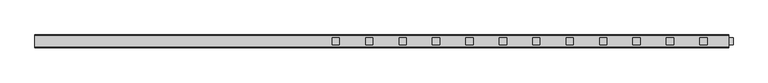
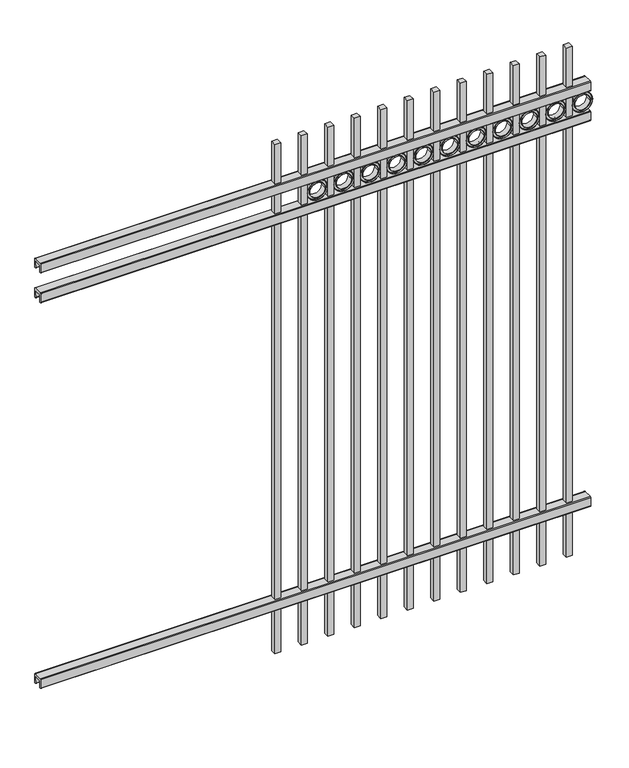
"""IFC4 building model written with IfcOpenShell, lengths in millimetres: railing geometry."""

from ifc_helpers import new_model, si_unit, point, frame, frame_2d, origin, place, context, project, spatial, polyline, circle_curve, trimmed, segment, composite_curve, outline, extrude, source, transform, mapped, element, save


def railing_138dd6bd(model_context):
    return source(origin(), model_context, "Body", "SweptSolid", [
        extrude(outline(composite_curve([segment(polyline([(7301.9139761, 304.8), (7339.969541, 304.8)]), True, "CONTINUOUS"), segment(trimmed(circle_curve(frame_2d((7339.969541, 301.625)), 3.175), [point((7339.969541, 304.8))], [point((7343.144541, 301.625))], False, "CARTESIAN"), True, "CONTINUOUS"), segment(polyline([(7343.144541, 301.625), (7343.144541, 262.1439893)]), True, "CONTINUOUS"), segment(trimmed(circle_curve(frame_2d((7341.3505518, 262.1439893)), 1.7939893), [point((7343.144541, 262.1439893))], [point((7341.3505518, 260.35))], False, "CARTESIAN"), True, "CONTINUOUS"), segment(polyline([(7341.3505518, 260.35), (7338.7590713, 260.35)]), True, "CONTINUOUS"), segment(trimmed(circle_curve(frame_2d((7338.7590713, 262.1359375)), 1.7859375), [point((7338.7590713, 260.35))], [point((7336.9755813, 262.0424688))], False, "CARTESIAN"), True, "CONTINUOUS"), segment(polyline([(7336.9755813, 262.0424688), (7335.4025867, 292.0569942), (7306.4364954, 292.0569942), (7304.8635007, 262.0424688)]), True, "CONTINUOUS"), segment(trimmed(circle_curve(frame_2d((7303.0800108, 262.1359375)), 1.7859375), [point((7304.8635007, 262.0424688))], [point((7303.0800108, 260.35))], False, "CARTESIAN"), True, "CONTINUOUS"), segment(polyline([(7303.0800108, 260.35), (7300.4804785, 260.35)]), True, "CONTINUOUS"), segment(trimmed(circle_curve(frame_2d((7300.4804785, 262.1359375)), 1.7859375), [point((7300.4804785, 260.35))], [point((7298.694541, 262.1359375))], False, "CARTESIAN"), True, "CONTINUOUS"), segment(polyline([(7298.694541, 262.1359375), (7298.694541, 301.5805649)]), True, "CONTINUOUS"), segment(trimmed(circle_curve(frame_2d((7301.9139761, 301.5805649)), 3.2194351), [point((7298.694541, 301.5805649))], [point((7301.9139761, 304.8))], False, "CARTESIAN"), True, "CONTINUOUS")], self_intersect=False)), frame((11485.3350064, 0.0, 0.0), z_axis=(1.0, 0.0, 0.0), x_axis=(0.0, 1.0, 0.0)), (0.0, 0.0, 1.0), 2438.4),
        extrude(outline(composite_curve([segment(polyline([(7301.9139761, 2112.9625), (7339.969541, 2112.9625)]), True, "CONTINUOUS"), segment(trimmed(circle_curve(frame_2d((7339.969541, 2109.7875)), 3.175), [point((7339.969541, 2112.9625))], [point((7343.144541, 2109.7875))], False, "CARTESIAN"), True, "CONTINUOUS"), segment(polyline([(7343.144541, 2109.7875), (7343.144541, 2070.3064893)]), True, "CONTINUOUS"), segment(trimmed(circle_curve(frame_2d((7341.3505518, 2070.3064893)), 1.7939893), [point((7343.144541, 2070.3064893))], [point((7341.3505518, 2068.5125))], False, "CARTESIAN"), True, "CONTINUOUS"), segment(polyline([(7341.3505518, 2068.5125), (7338.7590713, 2068.5125)]), True, "CONTINUOUS"), segment(trimmed(circle_curve(frame_2d((7338.7590713, 2070.2984375)), 1.7859375), [point((7338.7590713, 2068.5125))], [point((7336.9755813, 2070.2049688))], False, "CARTESIAN"), True, "CONTINUOUS"), segment(polyline([(7336.9755813, 2070.2049688), (7335.4025867, 2100.2194942), (7306.4364954, 2100.2194942), (7304.8635007, 2070.2049688)]), True, "CONTINUOUS"), segment(trimmed(circle_curve(frame_2d((7303.0800108, 2070.2984375)), 1.7859375), [point((7304.8635007, 2070.2049688))], [point((7303.0800108, 2068.5125))], False, "CARTESIAN"), True, "CONTINUOUS"), segment(polyline([(7303.0800108, 2068.5125), (7300.4804785, 2068.5125)]), True, "CONTINUOUS"), segment(trimmed(circle_curve(frame_2d((7300.4804785, 2070.2984375)), 1.7859375), [point((7300.4804785, 2068.5125))], [point((7298.694541, 2070.2984375))], False, "CARTESIAN"), True, "CONTINUOUS"), segment(polyline([(7298.694541, 2070.2984375), (7298.694541, 2109.7430649)]), True, "CONTINUOUS"), segment(trimmed(circle_curve(frame_2d((7301.9139761, 2109.7430649)), 3.2194351), [point((7298.694541, 2109.7430649))], [point((7301.9139761, 2112.9625))], False, "CARTESIAN"), True, "CONTINUOUS")], self_intersect=False)), frame((11485.3350064, 0.0, 0.0), z_axis=(1.0, 0.0, 0.0), x_axis=(0.0, 1.0, 0.0)), (0.0, 0.0, 1.0), 2438.4),
        extrude(outline(composite_curve([segment(polyline([(7301.9139761, 2252.6625), (7339.969541, 2252.6625)]), True, "CONTINUOUS"), segment(trimmed(circle_curve(frame_2d((7339.969541, 2249.4875)), 3.175), [point((7339.969541, 2252.6625))], [point((7343.144541, 2249.4875))], False, "CARTESIAN"), True, "CONTINUOUS"), segment(polyline([(7343.144541, 2249.4875), (7343.144541, 2210.0064893)]), True, "CONTINUOUS"), segment(trimmed(circle_curve(frame_2d((7341.3505518, 2210.0064893)), 1.7939893), [point((7343.144541, 2210.0064893))], [point((7341.3505518, 2208.2125))], False, "CARTESIAN"), True, "CONTINUOUS"), segment(polyline([(7341.3505518, 2208.2125), (7338.7590713, 2208.2125)]), True, "CONTINUOUS"), segment(trimmed(circle_curve(frame_2d((7338.7590713, 2209.9984375)), 1.7859375), [point((7338.7590713, 2208.2125))], [point((7336.9755813, 2209.9049688))], False, "CARTESIAN"), True, "CONTINUOUS"), segment(polyline([(7336.9755813, 2209.9049688), (7335.4025867, 2239.9194942), (7306.4364954, 2239.9194942), (7304.8635007, 2209.9049688)]), True, "CONTINUOUS"), segment(trimmed(circle_curve(frame_2d((7303.0800108, 2209.9984375)), 1.7859375), [point((7304.8635007, 2209.9049688))], [point((7303.0800108, 2208.2125))], False, "CARTESIAN"), True, "CONTINUOUS"), segment(polyline([(7303.0800108, 2208.2125), (7300.4804785, 2208.2125)]), True, "CONTINUOUS"), segment(trimmed(circle_curve(frame_2d((7300.4804785, 2209.9984375)), 1.7859375), [point((7300.4804785, 2208.2125))], [point((7298.694541, 2209.9984375))], False, "CARTESIAN"), True, "CONTINUOUS"), segment(polyline([(7298.694541, 2209.9984375), (7298.694541, 2249.4430649)]), True, "CONTINUOUS"), segment(trimmed(circle_curve(frame_2d((7301.9139761, 2249.4430649)), 3.2194351), [point((7298.694541, 2249.4430649))], [point((7301.9139761, 2252.6625))], False, "CARTESIAN"), True, "CONTINUOUS")], self_intersect=False)), frame((11485.3350064, 0.0, 0.0), z_axis=(1.0, 0.0, 0.0), x_axis=(0.0, 1.0, 0.0)), (0.0, 0.0, 1.0), 2438.4),
        extrude(outline(polyline([(13822.1350064, 7333.619541), (13847.5350064, 7333.619541), (13847.5350064, 7308.219541), (13822.1350064, 7308.219541), (13822.1350064, 7333.619541)])), frame((0.0, 0.0, 50.8), z_axis=(0.0, 0.0, 1.0), x_axis=(1.0, 0.0, 0.0)), (0.0, 0.0, 1.0), 2387.6),
        extrude(outline(composite_curve([segment(trimmed(circle_curve(frame_2d((2159.8040076, 13893.2338655)), 45.6988591), [point((2159.8040076, 13938.9327246))], [point((2159.8040076, 13847.5350064))], False, "CARTESIAN"), True, "CONTINUOUS"), segment(trimmed(circle_curve(frame_2d((2159.8040076, 13893.2338655)), 45.6988591), [point((2159.8040076, 13847.5350064))], [point((2159.8040076, 13938.9327246))], False, "CARTESIAN"), True, "CONTINUOUS")], self_intersect=False), holes=[composite_curve([segment(trimmed(circle_curve(frame_2d((2159.8040076, 13893.2338655)), 44.101539), [point((2159.8040076, 13937.3354045))], [point((2159.8040076, 13849.1323265))], True, "CARTESIAN"), True, "CONTINUOUS"), segment(trimmed(circle_curve(frame_2d((2159.8040076, 13893.2338655)), 44.101539), [point((2159.8040076, 13849.1323265))], [point((2159.8040076, 13937.3354045))], True, "CARTESIAN"), True, "CONTINUOUS")], self_intersect=False)]), frame((0.0, 7308.219541, 0.0), z_axis=(0.0, 1.0, 0.0), x_axis=(0.0, 0.0, 1.0)), (0.0, 0.0, 1.0), 25.4),
        extrude(outline(composite_curve([segment(trimmed(circle_curve(frame_2d((2159.8040076, 13893.2338655)), 34.6370762), [point((2159.8040076, 13927.8709417))], [point((2159.8040076, 13858.5967893))], False, "CARTESIAN"), True, "CONTINUOUS"), segment(trimmed(circle_curve(frame_2d((2159.8040076, 13893.2338655)), 34.6370762), [point((2159.8040076, 13858.5967893))], [point((2159.8040076, 13927.8709417))], False, "CARTESIAN"), True, "CONTINUOUS")], self_intersect=False), holes=[composite_curve([segment(trimmed(circle_curve(frame_2d((2159.8040076, 13893.2338655)), 33.0443887), [point((2159.8040076, 13926.2782542))], [point((2159.8040076, 13860.1894768))], True, "CARTESIAN"), True, "CONTINUOUS"), segment(trimmed(circle_curve(frame_2d((2159.8040076, 13893.2338655)), 33.0443887), [point((2159.8040076, 13860.1894768))], [point((2159.8040076, 13926.2782542))], True, "CARTESIAN"), True, "CONTINUOUS")], self_intersect=False)]), frame((0.0, 7308.219541, 0.0), z_axis=(0.0, 1.0, 0.0), x_axis=(0.0, 0.0, 1.0)), (0.0, 0.0, 1.0), 25.4),
        extrude(outline(composite_curve([segment(trimmed(circle_curve(frame_2d((2159.8040076, 13893.2338655)), 45.6988591), [point((2159.8040076, 13938.9327246))], [point((2159.8040076, 13847.5350064))], False, "CARTESIAN"), True, "CONTINUOUS"), segment(trimmed(circle_curve(frame_2d((2159.8040076, 13893.2338655)), 45.6988591), [point((2159.8040076, 13847.5350064))], [point((2159.8040076, 13938.9327246))], False, "CARTESIAN"), True, "CONTINUOUS")], self_intersect=False), holes=[composite_curve([segment(trimmed(circle_curve(frame_2d((2159.8040076, 13893.2338655)), 33.0443887), [point((2159.8040076, 13926.2782542))], [point((2159.8040076, 13860.1894768))], True, "CARTESIAN"), True, "CONTINUOUS"), segment(trimmed(circle_curve(frame_2d((2159.8040076, 13893.2338655)), 33.0443887), [point((2159.8040076, 13860.1894768))], [point((2159.8040076, 13926.2782542))], True, "CARTESIAN"), True, "CONTINUOUS")], self_intersect=False)]), frame((0.0, 7314.569541, 0.0), z_axis=(0.0, 1.0, 0.0), x_axis=(0.0, 0.0, 1.0)), (0.0, 0.0, 1.0), 12.7),
        extrude(outline(polyline([(13704.6600064, 7333.619541), (13730.0600064, 7333.619541), (13730.0600064, 7308.219541), (13704.6600064, 7308.219541), (13704.6600064, 7333.619541)])), frame((0.0, 0.0, 50.8), z_axis=(0.0, 0.0, 1.0), x_axis=(1.0, 0.0, 0.0)), (0.0, 0.0, 1.0), 2387.6),
        extrude(outline(composite_curve([segment(trimmed(circle_curve(frame_2d((2159.8040076, 13775.7588655)), 45.6988591), [point((2159.8040076, 13821.4577246))], [point((2159.8040076, 13730.0600064))], False, "CARTESIAN"), True, "CONTINUOUS"), segment(trimmed(circle_curve(frame_2d((2159.8040076, 13775.7588655)), 45.6988591), [point((2159.8040076, 13730.0600064))], [point((2159.8040076, 13821.4577246))], False, "CARTESIAN"), True, "CONTINUOUS")], self_intersect=False), holes=[composite_curve([segment(trimmed(circle_curve(frame_2d((2159.8040076, 13775.7588655)), 44.101539), [point((2159.8040076, 13819.8604045))], [point((2159.8040076, 13731.6573265))], True, "CARTESIAN"), True, "CONTINUOUS"), segment(trimmed(circle_curve(frame_2d((2159.8040076, 13775.7588655)), 44.101539), [point((2159.8040076, 13731.6573265))], [point((2159.8040076, 13819.8604045))], True, "CARTESIAN"), True, "CONTINUOUS")], self_intersect=False)]), frame((0.0, 7308.219541, 0.0), z_axis=(0.0, 1.0, 0.0), x_axis=(0.0, 0.0, 1.0)), (0.0, 0.0, 1.0), 25.4),
        extrude(outline(composite_curve([segment(trimmed(circle_curve(frame_2d((2159.8040076, 13775.7588655)), 34.6370762), [point((2159.8040076, 13810.3959417))], [point((2159.8040076, 13741.1217893))], False, "CARTESIAN"), True, "CONTINUOUS"), segment(trimmed(circle_curve(frame_2d((2159.8040076, 13775.7588655)), 34.6370762), [point((2159.8040076, 13741.1217893))], [point((2159.8040076, 13810.3959417))], False, "CARTESIAN"), True, "CONTINUOUS")], self_intersect=False), holes=[composite_curve([segment(trimmed(circle_curve(frame_2d((2159.8040076, 13775.7588655)), 33.0443887), [point((2159.8040076, 13808.8032542))], [point((2159.8040076, 13742.7144768))], True, "CARTESIAN"), True, "CONTINUOUS"), segment(trimmed(circle_curve(frame_2d((2159.8040076, 13775.7588655)), 33.0443887), [point((2159.8040076, 13742.7144768))], [point((2159.8040076, 13808.8032542))], True, "CARTESIAN"), True, "CONTINUOUS")], self_intersect=False)]), frame((0.0, 7308.219541, 0.0), z_axis=(0.0, 1.0, 0.0), x_axis=(0.0, 0.0, 1.0)), (0.0, 0.0, 1.0), 25.4),
        extrude(outline(composite_curve([segment(trimmed(circle_curve(frame_2d((2159.8040076, 13775.7588655)), 45.6988591), [point((2159.8040076, 13821.4577246))], [point((2159.8040076, 13730.0600064))], False, "CARTESIAN"), True, "CONTINUOUS"), segment(trimmed(circle_curve(frame_2d((2159.8040076, 13775.7588655)), 45.6988591), [point((2159.8040076, 13730.0600064))], [point((2159.8040076, 13821.4577246))], False, "CARTESIAN"), True, "CONTINUOUS")], self_intersect=False), holes=[composite_curve([segment(trimmed(circle_curve(frame_2d((2159.8040076, 13775.7588655)), 33.0443887), [point((2159.8040076, 13808.8032542))], [point((2159.8040076, 13742.7144768))], True, "CARTESIAN"), True, "CONTINUOUS"), segment(trimmed(circle_curve(frame_2d((2159.8040076, 13775.7588655)), 33.0443887), [point((2159.8040076, 13742.7144768))], [point((2159.8040076, 13808.8032542))], True, "CARTESIAN"), True, "CONTINUOUS")], self_intersect=False)]), frame((0.0, 7314.569541, 0.0), z_axis=(0.0, 1.0, 0.0), x_axis=(0.0, 0.0, 1.0)), (0.0, 0.0, 1.0), 12.7),
        extrude(outline(polyline([(13587.1850064, 7333.619541), (13612.5850064, 7333.619541), (13612.5850064, 7308.219541), (13587.1850064, 7308.219541), (13587.1850064, 7333.619541)])), frame((0.0, 0.0, 50.8), z_axis=(0.0, 0.0, 1.0), x_axis=(1.0, 0.0, 0.0)), (0.0, 0.0, 1.0), 2387.6),
        extrude(outline(composite_curve([segment(trimmed(circle_curve(frame_2d((2159.8040076, 13658.2838655)), 45.6988591), [point((2159.8040076, 13703.9827246))], [point((2159.8040076, 13612.5850064))], False, "CARTESIAN"), True, "CONTINUOUS"), segment(trimmed(circle_curve(frame_2d((2159.8040076, 13658.2838655)), 45.6988591), [point((2159.8040076, 13612.5850064))], [point((2159.8040076, 13703.9827246))], False, "CARTESIAN"), True, "CONTINUOUS")], self_intersect=False), holes=[composite_curve([segment(trimmed(circle_curve(frame_2d((2159.8040076, 13658.2838655)), 44.101539), [point((2159.8040076, 13702.3854045))], [point((2159.8040076, 13614.1823265))], True, "CARTESIAN"), True, "CONTINUOUS"), segment(trimmed(circle_curve(frame_2d((2159.8040076, 13658.2838655)), 44.101539), [point((2159.8040076, 13614.1823265))], [point((2159.8040076, 13702.3854045))], True, "CARTESIAN"), True, "CONTINUOUS")], self_intersect=False)]), frame((0.0, 7308.219541, 0.0), z_axis=(0.0, 1.0, 0.0), x_axis=(0.0, 0.0, 1.0)), (0.0, 0.0, 1.0), 25.4),
        extrude(outline(composite_curve([segment(trimmed(circle_curve(frame_2d((2159.8040076, 13658.2838655)), 34.6370762), [point((2159.8040076, 13692.9209417))], [point((2159.8040076, 13623.6467893))], False, "CARTESIAN"), True, "CONTINUOUS"), segment(trimmed(circle_curve(frame_2d((2159.8040076, 13658.2838655)), 34.6370762), [point((2159.8040076, 13623.6467893))], [point((2159.8040076, 13692.9209417))], False, "CARTESIAN"), True, "CONTINUOUS")], self_intersect=False), holes=[composite_curve([segment(trimmed(circle_curve(frame_2d((2159.8040076, 13658.2838655)), 33.0443887), [point((2159.8040076, 13691.3282542))], [point((2159.8040076, 13625.2394768))], True, "CARTESIAN"), True, "CONTINUOUS"), segment(trimmed(circle_curve(frame_2d((2159.8040076, 13658.2838655)), 33.0443887), [point((2159.8040076, 13625.2394768))], [point((2159.8040076, 13691.3282542))], True, "CARTESIAN"), True, "CONTINUOUS")], self_intersect=False)]), frame((0.0, 7308.219541, 0.0), z_axis=(0.0, 1.0, 0.0), x_axis=(0.0, 0.0, 1.0)), (0.0, 0.0, 1.0), 25.4),
        extrude(outline(composite_curve([segment(trimmed(circle_curve(frame_2d((2159.8040076, 13658.2838655)), 45.6988591), [point((2159.8040076, 13703.9827246))], [point((2159.8040076, 13612.5850064))], False, "CARTESIAN"), True, "CONTINUOUS"), segment(trimmed(circle_curve(frame_2d((2159.8040076, 13658.2838655)), 45.6988591), [point((2159.8040076, 13612.5850064))], [point((2159.8040076, 13703.9827246))], False, "CARTESIAN"), True, "CONTINUOUS")], self_intersect=False), holes=[composite_curve([segment(trimmed(circle_curve(frame_2d((2159.8040076, 13658.2838655)), 33.0443887), [point((2159.8040076, 13691.3282542))], [point((2159.8040076, 13625.2394768))], True, "CARTESIAN"), True, "CONTINUOUS"), segment(trimmed(circle_curve(frame_2d((2159.8040076, 13658.2838655)), 33.0443887), [point((2159.8040076, 13625.2394768))], [point((2159.8040076, 13691.3282542))], True, "CARTESIAN"), True, "CONTINUOUS")], self_intersect=False)]), frame((0.0, 7314.569541, 0.0), z_axis=(0.0, 1.0, 0.0), x_axis=(0.0, 0.0, 1.0)), (0.0, 0.0, 1.0), 12.7),
        extrude(outline(polyline([(13469.7100064, 7333.619541), (13495.1100064, 7333.619541), (13495.1100064, 7308.219541), (13469.7100064, 7308.219541), (13469.7100064, 7333.619541)])), frame((0.0, 0.0, 50.8), z_axis=(0.0, 0.0, 1.0), x_axis=(1.0, 0.0, 0.0)), (0.0, 0.0, 1.0), 2387.6),
        extrude(outline(composite_curve([segment(trimmed(circle_curve(frame_2d((2159.8040076, 13540.8088655)), 45.6988591), [point((2159.8040076, 13586.5077246))], [point((2159.8040076, 13495.1100064))], False, "CARTESIAN"), True, "CONTINUOUS"), segment(trimmed(circle_curve(frame_2d((2159.8040076, 13540.8088655)), 45.6988591), [point((2159.8040076, 13495.1100064))], [point((2159.8040076, 13586.5077246))], False, "CARTESIAN"), True, "CONTINUOUS")], self_intersect=False), holes=[composite_curve([segment(trimmed(circle_curve(frame_2d((2159.8040076, 13540.8088655)), 44.101539), [point((2159.8040076, 13584.9104045))], [point((2159.8040076, 13496.7073265))], True, "CARTESIAN"), True, "CONTINUOUS"), segment(trimmed(circle_curve(frame_2d((2159.8040076, 13540.8088655)), 44.101539), [point((2159.8040076, 13496.7073265))], [point((2159.8040076, 13584.9104045))], True, "CARTESIAN"), True, "CONTINUOUS")], self_intersect=False)]), frame((0.0, 7308.219541, 0.0), z_axis=(0.0, 1.0, 0.0), x_axis=(0.0, 0.0, 1.0)), (0.0, 0.0, 1.0), 25.4),
        extrude(outline(composite_curve([segment(trimmed(circle_curve(frame_2d((2159.8040076, 13540.8088655)), 34.6370762), [point((2159.8040076, 13575.4459417))], [point((2159.8040076, 13506.1717893))], False, "CARTESIAN"), True, "CONTINUOUS"), segment(trimmed(circle_curve(frame_2d((2159.8040076, 13540.8088655)), 34.6370762), [point((2159.8040076, 13506.1717893))], [point((2159.8040076, 13575.4459417))], False, "CARTESIAN"), True, "CONTINUOUS")], self_intersect=False), holes=[composite_curve([segment(trimmed(circle_curve(frame_2d((2159.8040076, 13540.8088655)), 33.0443887), [point((2159.8040076, 13573.8532542))], [point((2159.8040076, 13507.7644768))], True, "CARTESIAN"), True, "CONTINUOUS"), segment(trimmed(circle_curve(frame_2d((2159.8040076, 13540.8088655)), 33.0443887), [point((2159.8040076, 13507.7644768))], [point((2159.8040076, 13573.8532542))], True, "CARTESIAN"), True, "CONTINUOUS")], self_intersect=False)]), frame((0.0, 7308.219541, 0.0), z_axis=(0.0, 1.0, 0.0), x_axis=(0.0, 0.0, 1.0)), (0.0, 0.0, 1.0), 25.4),
        extrude(outline(composite_curve([segment(trimmed(circle_curve(frame_2d((2159.8040076, 13540.8088655)), 45.6988591), [point((2159.8040076, 13586.5077246))], [point((2159.8040076, 13495.1100064))], False, "CARTESIAN"), True, "CONTINUOUS"), segment(trimmed(circle_curve(frame_2d((2159.8040076, 13540.8088655)), 45.6988591), [point((2159.8040076, 13495.1100064))], [point((2159.8040076, 13586.5077246))], False, "CARTESIAN"), True, "CONTINUOUS")], self_intersect=False), holes=[composite_curve([segment(trimmed(circle_curve(frame_2d((2159.8040076, 13540.8088655)), 33.0443887), [point((2159.8040076, 13573.8532542))], [point((2159.8040076, 13507.7644768))], True, "CARTESIAN"), True, "CONTINUOUS"), segment(trimmed(circle_curve(frame_2d((2159.8040076, 13540.8088655)), 33.0443887), [point((2159.8040076, 13507.7644768))], [point((2159.8040076, 13573.8532542))], True, "CARTESIAN"), True, "CONTINUOUS")], self_intersect=False)]), frame((0.0, 7314.569541, 0.0), z_axis=(0.0, 1.0, 0.0), x_axis=(0.0, 0.0, 1.0)), (0.0, 0.0, 1.0), 12.7),
        extrude(outline(polyline([(13352.2350064, 7333.619541), (13377.6350064, 7333.619541), (13377.6350064, 7308.219541), (13352.2350064, 7308.219541), (13352.2350064, 7333.619541)])), frame((0.0, 0.0, 50.8), z_axis=(0.0, 0.0, 1.0), x_axis=(1.0, 0.0, 0.0)), (0.0, 0.0, 1.0), 2387.6),
        extrude(outline(composite_curve([segment(trimmed(circle_curve(frame_2d((2159.8040076, 13423.3338655)), 45.6988591), [point((2159.8040076, 13469.0327246))], [point((2159.8040076, 13377.6350064))], False, "CARTESIAN"), True, "CONTINUOUS"), segment(trimmed(circle_curve(frame_2d((2159.8040076, 13423.3338655)), 45.6988591), [point((2159.8040076, 13377.6350064))], [point((2159.8040076, 13469.0327246))], False, "CARTESIAN"), True, "CONTINUOUS")], self_intersect=False), holes=[composite_curve([segment(trimmed(circle_curve(frame_2d((2159.8040076, 13423.3338655)), 44.101539), [point((2159.8040076, 13467.4354045))], [point((2159.8040076, 13379.2323265))], True, "CARTESIAN"), True, "CONTINUOUS"), segment(trimmed(circle_curve(frame_2d((2159.8040076, 13423.3338655)), 44.101539), [point((2159.8040076, 13379.2323265))], [point((2159.8040076, 13467.4354045))], True, "CARTESIAN"), True, "CONTINUOUS")], self_intersect=False)]), frame((0.0, 7308.219541, 0.0), z_axis=(0.0, 1.0, 0.0), x_axis=(0.0, 0.0, 1.0)), (0.0, 0.0, 1.0), 25.4),
        extrude(outline(composite_curve([segment(trimmed(circle_curve(frame_2d((2159.8040076, 13423.3338655)), 34.6370762), [point((2159.8040076, 13457.9709417))], [point((2159.8040076, 13388.6967893))], False, "CARTESIAN"), True, "CONTINUOUS"), segment(trimmed(circle_curve(frame_2d((2159.8040076, 13423.3338655)), 34.6370762), [point((2159.8040076, 13388.6967893))], [point((2159.8040076, 13457.9709417))], False, "CARTESIAN"), True, "CONTINUOUS")], self_intersect=False), holes=[composite_curve([segment(trimmed(circle_curve(frame_2d((2159.8040076, 13423.3338655)), 33.0443887), [point((2159.8040076, 13456.3782542))], [point((2159.8040076, 13390.2894768))], True, "CARTESIAN"), True, "CONTINUOUS"), segment(trimmed(circle_curve(frame_2d((2159.8040076, 13423.3338655)), 33.0443887), [point((2159.8040076, 13390.2894768))], [point((2159.8040076, 13456.3782542))], True, "CARTESIAN"), True, "CONTINUOUS")], self_intersect=False)]), frame((0.0, 7308.219541, 0.0), z_axis=(0.0, 1.0, 0.0), x_axis=(0.0, 0.0, 1.0)), (0.0, 0.0, 1.0), 25.4),
        extrude(outline(composite_curve([segment(trimmed(circle_curve(frame_2d((2159.8040076, 13423.3338655)), 45.6988591), [point((2159.8040076, 13469.0327246))], [point((2159.8040076, 13377.6350064))], False, "CARTESIAN"), True, "CONTINUOUS"), segment(trimmed(circle_curve(frame_2d((2159.8040076, 13423.3338655)), 45.6988591), [point((2159.8040076, 13377.6350064))], [point((2159.8040076, 13469.0327246))], False, "CARTESIAN"), True, "CONTINUOUS")], self_intersect=False), holes=[composite_curve([segment(trimmed(circle_curve(frame_2d((2159.8040076, 13423.3338655)), 33.0443887), [point((2159.8040076, 13456.3782542))], [point((2159.8040076, 13390.2894768))], True, "CARTESIAN"), True, "CONTINUOUS"), segment(trimmed(circle_curve(frame_2d((2159.8040076, 13423.3338655)), 33.0443887), [point((2159.8040076, 13390.2894768))], [point((2159.8040076, 13456.3782542))], True, "CARTESIAN"), True, "CONTINUOUS")], self_intersect=False)]), frame((0.0, 7314.569541, 0.0), z_axis=(0.0, 1.0, 0.0), x_axis=(0.0, 0.0, 1.0)), (0.0, 0.0, 1.0), 12.7),
        extrude(outline(polyline([(13234.7600064, 7333.619541), (13260.1600064, 7333.619541), (13260.1600064, 7308.219541), (13234.7600064, 7308.219541), (13234.7600064, 7333.619541)])), frame((0.0, 0.0, 50.8), z_axis=(0.0, 0.0, 1.0), x_axis=(1.0, 0.0, 0.0)), (0.0, 0.0, 1.0), 2387.6),
        extrude(outline(composite_curve([segment(trimmed(circle_curve(frame_2d((2159.8040076, 13305.8588655)), 45.6988591), [point((2159.8040076, 13351.5577246))], [point((2159.8040076, 13260.1600064))], False, "CARTESIAN"), True, "CONTINUOUS"), segment(trimmed(circle_curve(frame_2d((2159.8040076, 13305.8588655)), 45.6988591), [point((2159.8040076, 13260.1600064))], [point((2159.8040076, 13351.5577246))], False, "CARTESIAN"), True, "CONTINUOUS")], self_intersect=False), holes=[composite_curve([segment(trimmed(circle_curve(frame_2d((2159.8040076, 13305.8588655)), 44.101539), [point((2159.8040076, 13349.9604045))], [point((2159.8040076, 13261.7573265))], True, "CARTESIAN"), True, "CONTINUOUS"), segment(trimmed(circle_curve(frame_2d((2159.8040076, 13305.8588655)), 44.101539), [point((2159.8040076, 13261.7573265))], [point((2159.8040076, 13349.9604045))], True, "CARTESIAN"), True, "CONTINUOUS")], self_intersect=False)]), frame((0.0, 7308.219541, 0.0), z_axis=(0.0, 1.0, 0.0), x_axis=(0.0, 0.0, 1.0)), (0.0, 0.0, 1.0), 25.4),
        extrude(outline(composite_curve([segment(trimmed(circle_curve(frame_2d((2159.8040076, 13305.8588655)), 34.6370762), [point((2159.8040076, 13340.4959417))], [point((2159.8040076, 13271.2217893))], False, "CARTESIAN"), True, "CONTINUOUS"), segment(trimmed(circle_curve(frame_2d((2159.8040076, 13305.8588655)), 34.6370762), [point((2159.8040076, 13271.2217893))], [point((2159.8040076, 13340.4959417))], False, "CARTESIAN"), True, "CONTINUOUS")], self_intersect=False), holes=[composite_curve([segment(trimmed(circle_curve(frame_2d((2159.8040076, 13305.8588655)), 33.0443887), [point((2159.8040076, 13338.9032542))], [point((2159.8040076, 13272.8144768))], True, "CARTESIAN"), True, "CONTINUOUS"), segment(trimmed(circle_curve(frame_2d((2159.8040076, 13305.8588655)), 33.0443887), [point((2159.8040076, 13272.8144768))], [point((2159.8040076, 13338.9032542))], True, "CARTESIAN"), True, "CONTINUOUS")], self_intersect=False)]), frame((0.0, 7308.219541, 0.0), z_axis=(0.0, 1.0, 0.0), x_axis=(0.0, 0.0, 1.0)), (0.0, 0.0, 1.0), 25.4),
        extrude(outline(composite_curve([segment(trimmed(circle_curve(frame_2d((2159.8040076, 13305.8588655)), 45.6988591), [point((2159.8040076, 13351.5577246))], [point((2159.8040076, 13260.1600064))], False, "CARTESIAN"), True, "CONTINUOUS"), segment(trimmed(circle_curve(frame_2d((2159.8040076, 13305.8588655)), 45.6988591), [point((2159.8040076, 13260.1600064))], [point((2159.8040076, 13351.5577246))], False, "CARTESIAN"), True, "CONTINUOUS")], self_intersect=False), holes=[composite_curve([segment(trimmed(circle_curve(frame_2d((2159.8040076, 13305.8588655)), 33.0443887), [point((2159.8040076, 13338.9032542))], [point((2159.8040076, 13272.8144768))], True, "CARTESIAN"), True, "CONTINUOUS"), segment(trimmed(circle_curve(frame_2d((2159.8040076, 13305.8588655)), 33.0443887), [point((2159.8040076, 13272.8144768))], [point((2159.8040076, 13338.9032542))], True, "CARTESIAN"), True, "CONTINUOUS")], self_intersect=False)]), frame((0.0, 7314.569541, 0.0), z_axis=(0.0, 1.0, 0.0), x_axis=(0.0, 0.0, 1.0)), (0.0, 0.0, 1.0), 12.7),
        extrude(outline(polyline([(13117.2850064, 7333.619541), (13142.6850064, 7333.619541), (13142.6850064, 7308.219541), (13117.2850064, 7308.219541), (13117.2850064, 7333.619541)])), frame((0.0, 0.0, 50.8), z_axis=(0.0, 0.0, 1.0), x_axis=(1.0, 0.0, 0.0)), (0.0, 0.0, 1.0), 2387.6),
        extrude(outline(composite_curve([segment(trimmed(circle_curve(frame_2d((2159.8040076, 13188.3838655)), 45.6988591), [point((2159.8040076, 13234.0827246))], [point((2159.8040076, 13142.6850064))], False, "CARTESIAN"), True, "CONTINUOUS"), segment(trimmed(circle_curve(frame_2d((2159.8040076, 13188.3838655)), 45.6988591), [point((2159.8040076, 13142.6850064))], [point((2159.8040076, 13234.0827246))], False, "CARTESIAN"), True, "CONTINUOUS")], self_intersect=False), holes=[composite_curve([segment(trimmed(circle_curve(frame_2d((2159.8040076, 13188.3838655)), 44.101539), [point((2159.8040076, 13232.4854045))], [point((2159.8040076, 13144.2823265))], True, "CARTESIAN"), True, "CONTINUOUS"), segment(trimmed(circle_curve(frame_2d((2159.8040076, 13188.3838655)), 44.101539), [point((2159.8040076, 13144.2823265))], [point((2159.8040076, 13232.4854045))], True, "CARTESIAN"), True, "CONTINUOUS")], self_intersect=False)]), frame((0.0, 7308.219541, 0.0), z_axis=(0.0, 1.0, 0.0), x_axis=(0.0, 0.0, 1.0)), (0.0, 0.0, 1.0), 25.4),
        extrude(outline(composite_curve([segment(trimmed(circle_curve(frame_2d((2159.8040076, 13188.3838655)), 34.6370762), [point((2159.8040076, 13223.0209417))], [point((2159.8040076, 13153.7467893))], False, "CARTESIAN"), True, "CONTINUOUS"), segment(trimmed(circle_curve(frame_2d((2159.8040076, 13188.3838655)), 34.6370762), [point((2159.8040076, 13153.7467893))], [point((2159.8040076, 13223.0209417))], False, "CARTESIAN"), True, "CONTINUOUS")], self_intersect=False), holes=[composite_curve([segment(trimmed(circle_curve(frame_2d((2159.8040076, 13188.3838655)), 33.0443887), [point((2159.8040076, 13221.4282542))], [point((2159.8040076, 13155.3394768))], True, "CARTESIAN"), True, "CONTINUOUS"), segment(trimmed(circle_curve(frame_2d((2159.8040076, 13188.3838655)), 33.0443887), [point((2159.8040076, 13155.3394768))], [point((2159.8040076, 13221.4282542))], True, "CARTESIAN"), True, "CONTINUOUS")], self_intersect=False)]), frame((0.0, 7308.219541, 0.0), z_axis=(0.0, 1.0, 0.0), x_axis=(0.0, 0.0, 1.0)), (0.0, 0.0, 1.0), 25.4),
        extrude(outline(composite_curve([segment(trimmed(circle_curve(frame_2d((2159.8040076, 13188.3838655)), 45.6988591), [point((2159.8040076, 13234.0827246))], [point((2159.8040076, 13142.6850064))], False, "CARTESIAN"), True, "CONTINUOUS"), segment(trimmed(circle_curve(frame_2d((2159.8040076, 13188.3838655)), 45.6988591), [point((2159.8040076, 13142.6850064))], [point((2159.8040076, 13234.0827246))], False, "CARTESIAN"), True, "CONTINUOUS")], self_intersect=False), holes=[composite_curve([segment(trimmed(circle_curve(frame_2d((2159.8040076, 13188.3838655)), 33.0443887), [point((2159.8040076, 13221.4282542))], [point((2159.8040076, 13155.3394768))], True, "CARTESIAN"), True, "CONTINUOUS"), segment(trimmed(circle_curve(frame_2d((2159.8040076, 13188.3838655)), 33.0443887), [point((2159.8040076, 13155.3394768))], [point((2159.8040076, 13221.4282542))], True, "CARTESIAN"), True, "CONTINUOUS")], self_intersect=False)]), frame((0.0, 7314.569541, 0.0), z_axis=(0.0, 1.0, 0.0), x_axis=(0.0, 0.0, 1.0)), (0.0, 0.0, 1.0), 12.7),
        extrude(outline(polyline([(12999.8100064, 7333.619541), (13025.2100064, 7333.619541), (13025.2100064, 7308.219541), (12999.8100064, 7308.219541), (12999.8100064, 7333.619541)])), frame((0.0, 0.0, 50.8), z_axis=(0.0, 0.0, 1.0), x_axis=(1.0, 0.0, 0.0)), (0.0, 0.0, 1.0), 2387.6),
        extrude(outline(composite_curve([segment(trimmed(circle_curve(frame_2d((2159.8040076, 13070.9088655)), 45.6988591), [point((2159.8040076, 13116.6077246))], [point((2159.8040076, 13025.2100064))], False, "CARTESIAN"), True, "CONTINUOUS"), segment(trimmed(circle_curve(frame_2d((2159.8040076, 13070.9088655)), 45.6988591), [point((2159.8040076, 13025.2100064))], [point((2159.8040076, 13116.6077246))], False, "CARTESIAN"), True, "CONTINUOUS")], self_intersect=False), holes=[composite_curve([segment(trimmed(circle_curve(frame_2d((2159.8040076, 13070.9088655)), 44.101539), [point((2159.8040076, 13115.0104045))], [point((2159.8040076, 13026.8073265))], True, "CARTESIAN"), True, "CONTINUOUS"), segment(trimmed(circle_curve(frame_2d((2159.8040076, 13070.9088655)), 44.101539), [point((2159.8040076, 13026.8073265))], [point((2159.8040076, 13115.0104045))], True, "CARTESIAN"), True, "CONTINUOUS")], self_intersect=False)]), frame((0.0, 7308.219541, 0.0), z_axis=(0.0, 1.0, 0.0), x_axis=(0.0, 0.0, 1.0)), (0.0, 0.0, 1.0), 25.4),
        extrude(outline(composite_curve([segment(trimmed(circle_curve(frame_2d((2159.8040076, 13070.9088655)), 34.6370762), [point((2159.8040076, 13105.5459417))], [point((2159.8040076, 13036.2717893))], False, "CARTESIAN"), True, "CONTINUOUS"), segment(trimmed(circle_curve(frame_2d((2159.8040076, 13070.9088655)), 34.6370762), [point((2159.8040076, 13036.2717893))], [point((2159.8040076, 13105.5459417))], False, "CARTESIAN"), True, "CONTINUOUS")], self_intersect=False), holes=[composite_curve([segment(trimmed(circle_curve(frame_2d((2159.8040076, 13070.9088655)), 33.0443887), [point((2159.8040076, 13103.9532542))], [point((2159.8040076, 13037.8644768))], True, "CARTESIAN"), True, "CONTINUOUS"), segment(trimmed(circle_curve(frame_2d((2159.8040076, 13070.9088655)), 33.0443887), [point((2159.8040076, 13037.8644768))], [point((2159.8040076, 13103.9532542))], True, "CARTESIAN"), True, "CONTINUOUS")], self_intersect=False)]), frame((0.0, 7308.219541, 0.0), z_axis=(0.0, 1.0, 0.0), x_axis=(0.0, 0.0, 1.0)), (0.0, 0.0, 1.0), 25.4),
        extrude(outline(composite_curve([segment(trimmed(circle_curve(frame_2d((2159.8040076, 13070.9088655)), 45.6988591), [point((2159.8040076, 13116.6077246))], [point((2159.8040076, 13025.2100064))], False, "CARTESIAN"), True, "CONTINUOUS"), segment(trimmed(circle_curve(frame_2d((2159.8040076, 13070.9088655)), 45.6988591), [point((2159.8040076, 13025.2100064))], [point((2159.8040076, 13116.6077246))], False, "CARTESIAN"), True, "CONTINUOUS")], self_intersect=False), holes=[composite_curve([segment(trimmed(circle_curve(frame_2d((2159.8040076, 13070.9088655)), 33.0443887), [point((2159.8040076, 13103.9532542))], [point((2159.8040076, 13037.8644768))], True, "CARTESIAN"), True, "CONTINUOUS"), segment(trimmed(circle_curve(frame_2d((2159.8040076, 13070.9088655)), 33.0443887), [point((2159.8040076, 13037.8644768))], [point((2159.8040076, 13103.9532542))], True, "CARTESIAN"), True, "CONTINUOUS")], self_intersect=False)]), frame((0.0, 7314.569541, 0.0), z_axis=(0.0, 1.0, 0.0), x_axis=(0.0, 0.0, 1.0)), (0.0, 0.0, 1.0), 12.7),
        extrude(outline(polyline([(12882.3350064, 7333.619541), (12907.7350064, 7333.619541), (12907.7350064, 7308.219541), (12882.3350064, 7308.219541), (12882.3350064, 7333.619541)])), frame((0.0, 0.0, 50.8), z_axis=(0.0, 0.0, 1.0), x_axis=(1.0, 0.0, 0.0)), (0.0, 0.0, 1.0), 2387.6),
        extrude(outline(composite_curve([segment(trimmed(circle_curve(frame_2d((2159.8040076, 12953.4338655)), 45.6988591), [point((2159.8040076, 12999.1327246))], [point((2159.8040076, 12907.7350064))], False, "CARTESIAN"), True, "CONTINUOUS"), segment(trimmed(circle_curve(frame_2d((2159.8040076, 12953.4338655)), 45.6988591), [point((2159.8040076, 12907.7350064))], [point((2159.8040076, 12999.1327246))], False, "CARTESIAN"), True, "CONTINUOUS")], self_intersect=False), holes=[composite_curve([segment(trimmed(circle_curve(frame_2d((2159.8040076, 12953.4338655)), 44.101539), [point((2159.8040076, 12997.5354045))], [point((2159.8040076, 12909.3323265))], True, "CARTESIAN"), True, "CONTINUOUS"), segment(trimmed(circle_curve(frame_2d((2159.8040076, 12953.4338655)), 44.101539), [point((2159.8040076, 12909.3323265))], [point((2159.8040076, 12997.5354045))], True, "CARTESIAN"), True, "CONTINUOUS")], self_intersect=False)]), frame((0.0, 7308.219541, 0.0), z_axis=(0.0, 1.0, 0.0), x_axis=(0.0, 0.0, 1.0)), (0.0, 0.0, 1.0), 25.4),
        extrude(outline(composite_curve([segment(trimmed(circle_curve(frame_2d((2159.8040076, 12953.4338655)), 34.6370762), [point((2159.8040076, 12988.0709417))], [point((2159.8040076, 12918.7967893))], False, "CARTESIAN"), True, "CONTINUOUS"), segment(trimmed(circle_curve(frame_2d((2159.8040076, 12953.4338655)), 34.6370762), [point((2159.8040076, 12918.7967893))], [point((2159.8040076, 12988.0709417))], False, "CARTESIAN"), True, "CONTINUOUS")], self_intersect=False), holes=[composite_curve([segment(trimmed(circle_curve(frame_2d((2159.8040076, 12953.4338655)), 33.0443887), [point((2159.8040076, 12986.4782542))], [point((2159.8040076, 12920.3894768))], True, "CARTESIAN"), True, "CONTINUOUS"), segment(trimmed(circle_curve(frame_2d((2159.8040076, 12953.4338655)), 33.0443887), [point((2159.8040076, 12920.3894768))], [point((2159.8040076, 12986.4782542))], True, "CARTESIAN"), True, "CONTINUOUS")], self_intersect=False)]), frame((0.0, 7308.219541, 0.0), z_axis=(0.0, 1.0, 0.0), x_axis=(0.0, 0.0, 1.0)), (0.0, 0.0, 1.0), 25.4),
        extrude(outline(composite_curve([segment(trimmed(circle_curve(frame_2d((2159.8040076, 12953.4338655)), 45.6988591), [point((2159.8040076, 12999.1327246))], [point((2159.8040076, 12907.7350064))], False, "CARTESIAN"), True, "CONTINUOUS"), segment(trimmed(circle_curve(frame_2d((2159.8040076, 12953.4338655)), 45.6988591), [point((2159.8040076, 12907.7350064))], [point((2159.8040076, 12999.1327246))], False, "CARTESIAN"), True, "CONTINUOUS")], self_intersect=False), holes=[composite_curve([segment(trimmed(circle_curve(frame_2d((2159.8040076, 12953.4338655)), 33.0443887), [point((2159.8040076, 12986.4782542))], [point((2159.8040076, 12920.3894768))], True, "CARTESIAN"), True, "CONTINUOUS"), segment(trimmed(circle_curve(frame_2d((2159.8040076, 12953.4338655)), 33.0443887), [point((2159.8040076, 12920.3894768))], [point((2159.8040076, 12986.4782542))], True, "CARTESIAN"), True, "CONTINUOUS")], self_intersect=False)]), frame((0.0, 7314.569541, 0.0), z_axis=(0.0, 1.0, 0.0), x_axis=(0.0, 0.0, 1.0)), (0.0, 0.0, 1.0), 12.7),
        extrude(outline(polyline([(12764.8600064, 7333.619541), (12790.2600064, 7333.619541), (12790.2600064, 7308.219541), (12764.8600064, 7308.219541), (12764.8600064, 7333.619541)])), frame((0.0, 0.0, 50.8), z_axis=(0.0, 0.0, 1.0), x_axis=(1.0, 0.0, 0.0)), (0.0, 0.0, 1.0), 2387.6),
        extrude(outline(composite_curve([segment(trimmed(circle_curve(frame_2d((2159.8040076, 12835.9588655)), 45.6988591), [point((2159.8040076, 12881.6577246))], [point((2159.8040076, 12790.2600064))], False, "CARTESIAN"), True, "CONTINUOUS"), segment(trimmed(circle_curve(frame_2d((2159.8040076, 12835.9588655)), 45.6988591), [point((2159.8040076, 12790.2600064))], [point((2159.8040076, 12881.6577246))], False, "CARTESIAN"), True, "CONTINUOUS")], self_intersect=False), holes=[composite_curve([segment(trimmed(circle_curve(frame_2d((2159.8040076, 12835.9588655)), 44.101539), [point((2159.8040076, 12880.0604045))], [point((2159.8040076, 12791.8573265))], True, "CARTESIAN"), True, "CONTINUOUS"), segment(trimmed(circle_curve(frame_2d((2159.8040076, 12835.9588655)), 44.101539), [point((2159.8040076, 12791.8573265))], [point((2159.8040076, 12880.0604045))], True, "CARTESIAN"), True, "CONTINUOUS")], self_intersect=False)]), frame((0.0, 7308.219541, 0.0), z_axis=(0.0, 1.0, 0.0), x_axis=(0.0, 0.0, 1.0)), (0.0, 0.0, 1.0), 25.4),
        extrude(outline(composite_curve([segment(trimmed(circle_curve(frame_2d((2159.8040076, 12835.9588655)), 34.6370762), [point((2159.8040076, 12870.5959417))], [point((2159.8040076, 12801.3217893))], False, "CARTESIAN"), True, "CONTINUOUS"), segment(trimmed(circle_curve(frame_2d((2159.8040076, 12835.9588655)), 34.6370762), [point((2159.8040076, 12801.3217893))], [point((2159.8040076, 12870.5959417))], False, "CARTESIAN"), True, "CONTINUOUS")], self_intersect=False), holes=[composite_curve([segment(trimmed(circle_curve(frame_2d((2159.8040076, 12835.9588655)), 33.0443887), [point((2159.8040076, 12869.0032542))], [point((2159.8040076, 12802.9144768))], True, "CARTESIAN"), True, "CONTINUOUS"), segment(trimmed(circle_curve(frame_2d((2159.8040076, 12835.9588655)), 33.0443887), [point((2159.8040076, 12802.9144768))], [point((2159.8040076, 12869.0032542))], True, "CARTESIAN"), True, "CONTINUOUS")], self_intersect=False)]), frame((0.0, 7308.219541, 0.0), z_axis=(0.0, 1.0, 0.0), x_axis=(0.0, 0.0, 1.0)), (0.0, 0.0, 1.0), 25.4),
        extrude(outline(composite_curve([segment(trimmed(circle_curve(frame_2d((2159.8040076, 12835.9588655)), 45.6988591), [point((2159.8040076, 12881.6577246))], [point((2159.8040076, 12790.2600064))], False, "CARTESIAN"), True, "CONTINUOUS"), segment(trimmed(circle_curve(frame_2d((2159.8040076, 12835.9588655)), 45.6988591), [point((2159.8040076, 12790.2600064))], [point((2159.8040076, 12881.6577246))], False, "CARTESIAN"), True, "CONTINUOUS")], self_intersect=False), holes=[composite_curve([segment(trimmed(circle_curve(frame_2d((2159.8040076, 12835.9588655)), 33.0443887), [point((2159.8040076, 12869.0032542))], [point((2159.8040076, 12802.9144768))], True, "CARTESIAN"), True, "CONTINUOUS"), segment(trimmed(circle_curve(frame_2d((2159.8040076, 12835.9588655)), 33.0443887), [point((2159.8040076, 12802.9144768))], [point((2159.8040076, 12869.0032542))], True, "CARTESIAN"), True, "CONTINUOUS")], self_intersect=False)]), frame((0.0, 7314.569541, 0.0), z_axis=(0.0, 1.0, 0.0), x_axis=(0.0, 0.0, 1.0)), (0.0, 0.0, 1.0), 12.7),
        extrude(outline(polyline([(12647.3850064, 7333.619541), (12672.7850064, 7333.619541), (12672.7850064, 7308.219541), (12647.3850064, 7308.219541), (12647.3850064, 7333.619541)])), frame((0.0, 0.0, 50.8), z_axis=(0.0, 0.0, 1.0), x_axis=(1.0, 0.0, 0.0)), (0.0, 0.0, 1.0), 2387.6),
        extrude(outline(composite_curve([segment(trimmed(circle_curve(frame_2d((2159.8040076, 12718.4838655)), 45.6988591), [point((2159.8040076, 12764.1827246))], [point((2159.8040076, 12672.7850064))], False, "CARTESIAN"), True, "CONTINUOUS"), segment(trimmed(circle_curve(frame_2d((2159.8040076, 12718.4838655)), 45.6988591), [point((2159.8040076, 12672.7850064))], [point((2159.8040076, 12764.1827246))], False, "CARTESIAN"), True, "CONTINUOUS")], self_intersect=False), holes=[composite_curve([segment(trimmed(circle_curve(frame_2d((2159.8040076, 12718.4838655)), 44.101539), [point((2159.8040076, 12762.5854045))], [point((2159.8040076, 12674.3823265))], True, "CARTESIAN"), True, "CONTINUOUS"), segment(trimmed(circle_curve(frame_2d((2159.8040076, 12718.4838655)), 44.101539), [point((2159.8040076, 12674.3823265))], [point((2159.8040076, 12762.5854045))], True, "CARTESIAN"), True, "CONTINUOUS")], self_intersect=False)]), frame((0.0, 7308.219541, 0.0), z_axis=(0.0, 1.0, 0.0), x_axis=(0.0, 0.0, 1.0)), (0.0, 0.0, 1.0), 25.4),
        extrude(outline(composite_curve([segment(trimmed(circle_curve(frame_2d((2159.8040076, 12718.4838655)), 34.6370762), [point((2159.8040076, 12753.1209417))], [point((2159.8040076, 12683.8467893))], False, "CARTESIAN"), True, "CONTINUOUS"), segment(trimmed(circle_curve(frame_2d((2159.8040076, 12718.4838655)), 34.6370762), [point((2159.8040076, 12683.8467893))], [point((2159.8040076, 12753.1209417))], False, "CARTESIAN"), True, "CONTINUOUS")], self_intersect=False), holes=[composite_curve([segment(trimmed(circle_curve(frame_2d((2159.8040076, 12718.4838655)), 33.0443887), [point((2159.8040076, 12751.5282542))], [point((2159.8040076, 12685.4394768))], True, "CARTESIAN"), True, "CONTINUOUS"), segment(trimmed(circle_curve(frame_2d((2159.8040076, 12718.4838655)), 33.0443887), [point((2159.8040076, 12685.4394768))], [point((2159.8040076, 12751.5282542))], True, "CARTESIAN"), True, "CONTINUOUS")], self_intersect=False)]), frame((0.0, 7308.219541, 0.0), z_axis=(0.0, 1.0, 0.0), x_axis=(0.0, 0.0, 1.0)), (0.0, 0.0, 1.0), 25.4),
        extrude(outline(composite_curve([segment(trimmed(circle_curve(frame_2d((2159.8040076, 12718.4838655)), 45.6988591), [point((2159.8040076, 12764.1827246))], [point((2159.8040076, 12672.7850064))], False, "CARTESIAN"), True, "CONTINUOUS"), segment(trimmed(circle_curve(frame_2d((2159.8040076, 12718.4838655)), 45.6988591), [point((2159.8040076, 12672.7850064))], [point((2159.8040076, 12764.1827246))], False, "CARTESIAN"), True, "CONTINUOUS")], self_intersect=False), holes=[composite_curve([segment(trimmed(circle_curve(frame_2d((2159.8040076, 12718.4838655)), 33.0443887), [point((2159.8040076, 12751.5282542))], [point((2159.8040076, 12685.4394768))], True, "CARTESIAN"), True, "CONTINUOUS"), segment(trimmed(circle_curve(frame_2d((2159.8040076, 12718.4838655)), 33.0443887), [point((2159.8040076, 12685.4394768))], [point((2159.8040076, 12751.5282542))], True, "CARTESIAN"), True, "CONTINUOUS")], self_intersect=False)]), frame((0.0, 7314.569541, 0.0), z_axis=(0.0, 1.0, 0.0), x_axis=(0.0, 0.0, 1.0)), (0.0, 0.0, 1.0), 12.7),
        extrude(outline(polyline([(12529.9100064, 7333.619541), (12555.3100064, 7333.619541), (12555.3100064, 7308.219541), (12529.9100064, 7308.219541), (12529.9100064, 7333.619541)])), frame((0.0, 0.0, 50.8), z_axis=(0.0, 0.0, 1.0), x_axis=(1.0, 0.0, 0.0)), (0.0, 0.0, 1.0), 2387.6),
    ])


if __name__ == "__main__":
    model = new_model("IFC4")
    model_context = context("Model", 3, world=origin())
    ifc_project = project(units=[si_unit("LENGTHUNIT", "METRE", prefix="MILLI")], contexts=[model_context])
    site = spatial("IfcSite", under=ifc_project)
    building = spatial("IfcBuilding", under=site)
    placement = place(None, origin())
    railing_shape = railing_138dd6bd(model_context)
    element("IfcRailing", 1, at=placement, inside=building, context=model_context, shape_type="MappedRepresentation", body=[
        mapped(railing_shape, transform((0.0, 0.0, 0.0), x_axis=(1.0, 0.0, 0.0), y_axis=(0.0, 1.0, 0.0), z_axis=(0.0, 0.0, 1.0))),
    ])
    save(model, "model.ifc")
